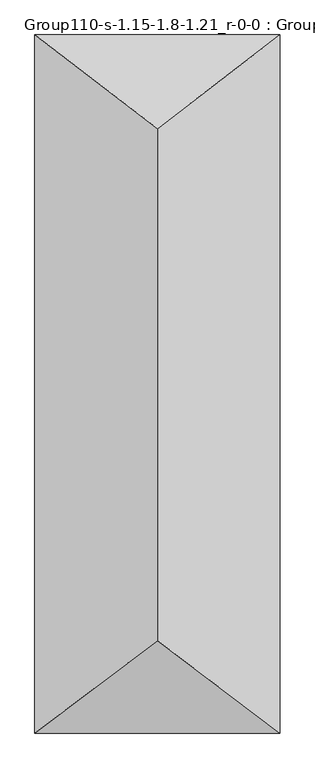
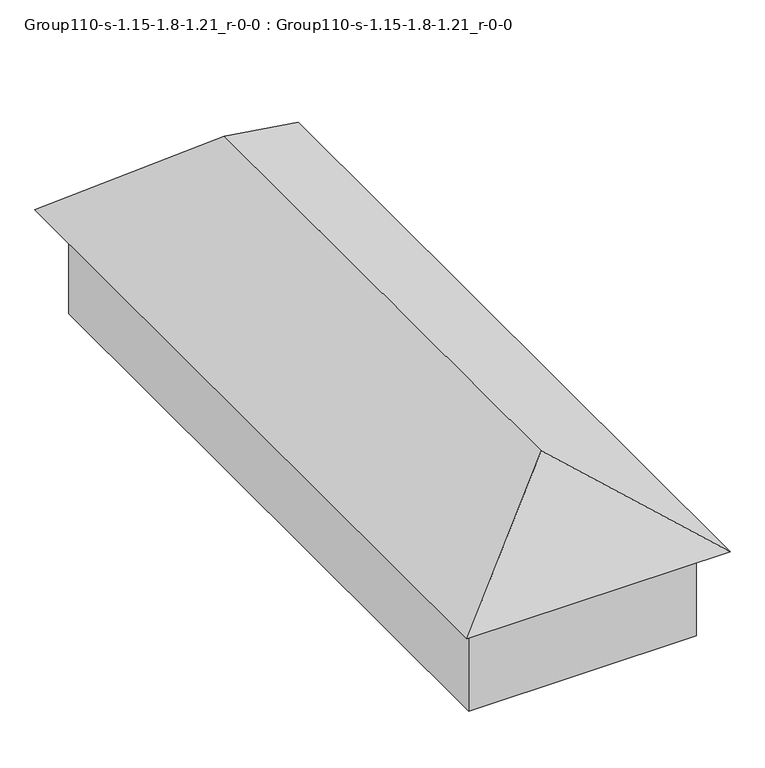
"""IFC4 building model written with IfcOpenShell, lengths in millimetres: geographic element geometry, Group110-s-1.15-1.8-1.21_r-0-0 : Group110-s-1.15-1.8-1.21_r-0-0."""

from ifc_helpers import new_model, si_unit, origin, place, context, project, spatial, triangles, source, transform, mapped, element, save


def group110_s_1_15_1_8_1_21_r_0_0_group110_s_1_15_1_8_1_21_r_0_6207b36a(model_context):
    return source(origin(), model_context, "Body", "Tessellation", [
        triangles([(6799.4774094, 19961.3001892, 2760.650679), (489.5011897, 19961.3001892, 0.0), (489.5011897, 19961.3001892, 2760.650679), (6799.4774094, 19961.3001892, 0.0), (6799.4774094, 770.1485579, 0.0), (489.5011897, 770.1485579, 2760.650679), (489.5011897, 770.1485579, 0.0), (6799.4774094, 770.1485579, 2760.650679), (7288.9783447, 20731.4485291, 2760.650679), (0.0, 20731.4485291, 2760.650679), (3644.4891724, 17951.4414734, 5325.2627426), (7288.9783447, 0.0, 2760.650679), (3644.4891724, 2745.9114624, 5325.2627426), (0.0, 0.0, 2760.650679)], [[1, 2, 3], [2, 1, 4], [5, 6, 7], [6, 5, 8], [5, 2, 4], [2, 5, 7], [6, 2, 7], [2, 6, 3], [1, 5, 4], [5, 1, 8], [6, 1, 3], [1, 6, 8], [9, 10, 11], [12, 13, 14], [12, 10, 9], [10, 12, 14], [11, 12, 9], [12, 11, 13], [14, 11, 10], [11, 14, 13]]),
    ])


if __name__ == "__main__":
    model = new_model("IFC4")
    model_context = context("Model", 3, world=origin())
    ifc_project = project(units=[si_unit("LENGTHUNIT", "METRE", prefix="MILLI")], contexts=[model_context])
    site = spatial("IfcSite", under=ifc_project)
    building = spatial("IfcBuilding", under=site)
    placement = place(None, origin())
    group110_s_1_15_1_8_1_21_r_0_0_group110_s_1_15_1_8_1_21_r_0_shape = group110_s_1_15_1_8_1_21_r_0_0_group110_s_1_15_1_8_1_21_r_0_6207b36a(model_context)
    element("IfcGeographicElement", 1, ObjectType="Group110-s-1.15-1.8-1.21_r-0-0 : Group110-s-1.15-1.8-1.21_r-0-0", at=placement, inside=building, context=model_context, shape_type="MappedRepresentation", body=[
        mapped(group110_s_1_15_1_8_1_21_r_0_0_group110_s_1_15_1_8_1_21_r_0_shape, transform((0.0, 0.0, 0.0), x_axis=(1.0, 0.0, 0.0), y_axis=(0.0, 1.0, 0.0), z_axis=(0.0, 0.0, 1.0))),
    ])
    save(model, "model.ifc")
